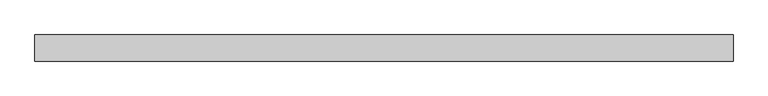
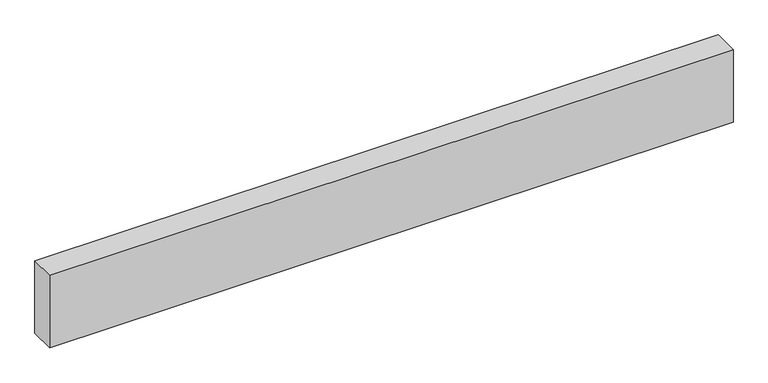
"""IFC4 building model written with IfcOpenShell, lengths in millimetres: proxy geometry."""

from ifc_helpers import new_model, si_unit, origin, origin_with_axes, place, context, project, spatial, polyline, outline, extrude, source, transform, mapped, element, save


def generic_models_8eca74c1(model_context):
    return source(origin(), model_context, "Body", "SweptSolid", [
        extrude(outline(polyline([(2674.2363707, 0.0), (2674.2363707, -100.0), (0.0, -100.0), (0.0, 0.0), (2674.2363707, 0.0)])), origin_with_axes(), (0.0, 0.0, 1.0), 300.0),
    ])


if __name__ == "__main__":
    model = new_model("IFC4")
    model_context = context("Model", 3, world=origin())
    ifc_project = project(units=[si_unit("LENGTHUNIT", "METRE", prefix="MILLI")], contexts=[model_context])
    site = spatial("IfcSite", under=ifc_project)
    building = spatial("IfcBuilding", under=site)
    placement = place(None, origin())
    generic_models_shape = generic_models_8eca74c1(model_context)
    element("IfcBuildingElementProxy", 1, Name="Generic Models", at=placement, inside=building, context=model_context, shape_type="MappedRepresentation", body=[
        mapped(generic_models_shape, transform((0.0, 0.0, 0.0), x_axis=(1.0, 0.0, 0.0), y_axis=(0.0, 1.0, 0.0), z_axis=(0.0, 0.0, 1.0))),
    ])
    save(model, "model.ifc")
